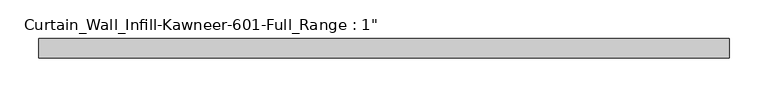
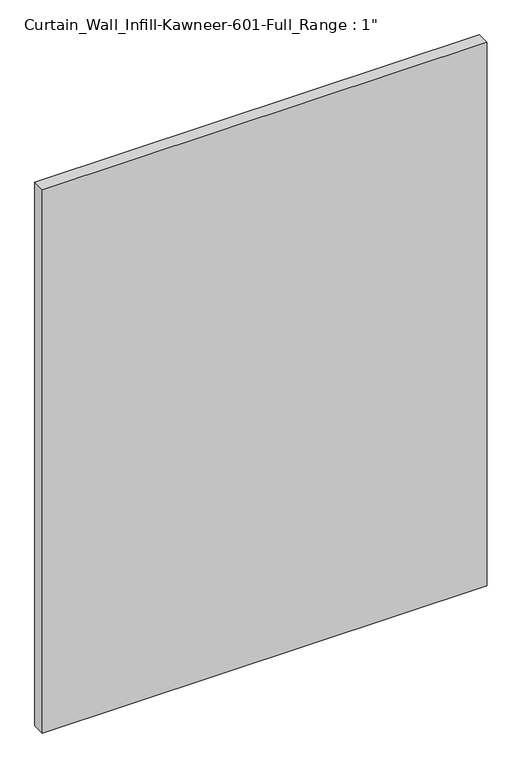
"""IFC4 building model written with IfcOpenShell, lengths in millimetres: plate geometry."""

import ifcopenshell
import ifcopenshell.guid

model = None  # the IFC model being written
_history = None  # IfcOwnerHistory: only IFC2X3 demands one
_inside = {}  # id of a spatial element -> (the spatial element, [elements in it])
_under = {}  # id of a project, library or spatial element -> (it, [spatial elements below it])
_declared = {}  # id of a project -> (the project, [libraries it declares])
_typed = {}  # id of a type object -> (the type object, [elements of that type])
_made_of = {}  # id of a material, layer set ... -> (it, [elements and type objects made of it])


def new_model(schema):
    """Start an empty IFC model of exactly this schema.

    Asked for "IFC4X3", IfcOpenShell would pick the latest addendum, in which some entities
    have other attributes; the version numbers below select the first issue.
    IFC2X3 requires an IfcOwnerHistory on every rooted entity: one is made here for all.
    """
    global model, _history
    if schema == "IFC4X3":
        model = ifcopenshell.file(schema_version=(4, 3, 0, 0))
    else:
        model = ifcopenshell.file(schema=schema)
    _inside.clear()
    _under.clear()
    _declared.clear()
    _typed.clear()
    _made_of.clear()
    _history = None
    if model.schema == "IFC2X3":
        org = make("IfcOrganization", Name="unknown")
        user = make(
            "IfcPersonAndOrganization",
            ThePerson=make("IfcPerson", FamilyName="unknown"),
            TheOrganization=org,
        )
        app = make(
            "IfcApplication",
            ApplicationDeveloper=org,
            Version="unknown",
            ApplicationFullName="unknown",
            ApplicationIdentifier="unknown",
        )
        _history = make(
            "IfcOwnerHistory",
            OwningUser=user,
            OwningApplication=app,
            ChangeAction="ADDED",
            CreationDate=0,
        )
    return model


def make(cls, **values):
    """One entity of the class cls with the attributes given. An attribute that is None is left unset."""
    return model.create_entity(
        cls, **{name: value for name, value in values.items() if value is not None}
    )


def rooted(cls, **values):
    """An entity with a GlobalId (a new one), such as an element, a storey or a relation."""
    return make(cls, GlobalId=ifcopenshell.guid.new(), OwnerHistory=_history, **values)


def si_unit(unit_type, name, prefix=None):
    """IfcSIUnit, for example si_unit("LENGTHUNIT", "METRE", prefix="MILLI")."""
    return make("IfcSIUnit", UnitType=unit_type, Prefix=prefix, Name=name)


def assignment(units):
    """IfcUnitAssignment: the units of a project."""
    return None if units is None else make("IfcUnitAssignment", Units=units)


def point(xyz):
    """IfcCartesianPoint."""
    return None if xyz is None else make("IfcCartesianPoint", Coordinates=xyz)


def direction(xyz):
    """IfcDirection."""
    return None if xyz is None else make("IfcDirection", DirectionRatios=xyz)


def frame(location, z_axis=None, x_axis=None):
    """IfcAxis2Placement3D, a coordinate frame: its origin and axes. An axis left out is left unset."""
    return make(
        "IfcAxis2Placement3D",
        Location=point(location),
        Axis=direction(z_axis),
        RefDirection=direction(x_axis),
    )


def origin():
    """The frame at (0, 0, 0) with its axes left unset."""
    return frame((0.0, 0.0, 0.0))


def origin_with_axes():
    """The frame at (0, 0, 0) with the z axis (0, 0, 1) and the x axis (1, 0, 0) written out."""
    return frame((0.0, 0.0, 0.0), z_axis=(0.0, 0.0, 1.0), x_axis=(1.0, 0.0, 0.0))


def place(relative_to, where):
    """IfcLocalPlacement: puts the frame where relative to a parent placement (None: the world)."""
    return make(
        "IfcLocalPlacement", PlacementRelTo=relative_to, RelativePlacement=where
    )


def context(
    kind, dimensions, precision=None, world=None, true_north=None, identifier=None
):
    """IfcGeometricRepresentationContext, for example the 3D "Model" context."""
    return make(
        "IfcGeometricRepresentationContext",
        ContextIdentifier=identifier,
        ContextType=kind,
        CoordinateSpaceDimension=dimensions,
        Precision=precision,
        WorldCoordinateSystem=world,
        TrueNorth=true_north,
    )


def project(units=None, contexts=None):
    """IfcProject with its units and contexts."""
    return rooted(
        "IfcProject",
        Name="project",
        RepresentationContexts=contexts,
        UnitsInContext=assignment(units),
    )


def spatial(cls, under=None, at=None, **own):
    """A site, building, storey or space (cls), placed at a placement, below another one or the project."""
    s = rooted(cls, ObjectPlacement=at, **own)
    if under is not None:
        _under.setdefault(under.id(), (under, []))[1].append(s)
    return s


def polyline(points):
    """IfcPolyline through the points."""
    return make("IfcPolyline", Points=[point(p) for p in points])


def outline(outer, holes=None, kind="AREA"):
    """IfcArbitraryClosedProfileDef: a profile drawn as a closed curve; with holes, ...WithVoids."""
    if holes is None:
        return make("IfcArbitraryClosedProfileDef", ProfileType=kind, OuterCurve=outer)
    return make(
        "IfcArbitraryProfileDefWithVoids",
        ProfileType=kind,
        OuterCurve=outer,
        InnerCurves=holes,
    )


def extrude(swept, where, along, depth):
    """IfcExtrudedAreaSolid: the profile swept, set in the frame where, extruded along a direction by depth."""
    return make(
        "IfcExtrudedAreaSolid",
        SweptArea=swept,
        Position=where,
        ExtrudedDirection=direction(along),
        Depth=depth,
    )


def shape(context_of_items, identifier, shape_type, items):
    """IfcShapeRepresentation: the items that make up one representation, for example the "Body"."""
    return make(
        "IfcShapeRepresentation",
        ContextOfItems=context_of_items,
        RepresentationIdentifier=identifier,
        RepresentationType=shape_type,
        Items=items,
    )


def source(mapping_origin, context_of_items, identifier, shape_type, items):
    """IfcRepresentationMap: a shape defined once, which mapped items show again and again."""
    return make(
        "IfcRepresentationMap",
        MappingOrigin=mapping_origin,
        MappedRepresentation=shape(context_of_items, identifier, shape_type, items),
    )


def transform(
    local_origin,
    x_axis=None,
    y_axis=None,
    z_axis=None,
    scale=None,
    scale2=None,
    scale3=None,
    uniform=True,
):
    """IfcCartesianTransformationOperator3D, or its non-uniform kind. x_axis, y_axis, z_axis: its Axis1, 2, 3."""
    if uniform:
        return make(
            "IfcCartesianTransformationOperator3D",
            Axis1=direction(x_axis),
            Axis2=direction(y_axis),
            LocalOrigin=point(local_origin),
            Scale=scale,
            Axis3=direction(z_axis),
        )
    return make(
        "IfcCartesianTransformationOperator3DnonUniform",
        Axis1=direction(x_axis),
        Axis2=direction(y_axis),
        LocalOrigin=point(local_origin),
        Scale=scale,
        Axis3=direction(z_axis),
        Scale2=scale2,
        Scale3=scale3,
    )


def mapped(mapping_source, mapping_target):
    """IfcMappedItem: shows the shape of a source again, moved by a transform."""
    return make(
        "IfcMappedItem", MappingSource=mapping_source, MappingTarget=mapping_target
    )


def made_of(thing, what):
    """Note that an element or type object is made of a material, layer set ...; save() writes the relation."""
    if what is not None:
        _made_of.setdefault(what.id(), (what, []))[1].append(thing)
    return thing


def element(
    cls,
    number,
    at=None,
    inside=None,
    cuts=None,
    type_object=None,
    material=None,
    context=None,
    identifier="Body",
    shape_type=None,
    held_by="IfcProductDefinitionShape",
    body=None,
    shapes=None,
    **own,
):
    """One element of the class cls, such as IfcWall. Its Tag is "e" and its number.

    at: its placement. inside: the storey or other place that contains it. cuts: it is an
    opening in that element (IfcRelVoidsElement). A single representation is given by context,
    identifier, shape_type and body (its items); several are given by shapes. held_by: the class
    of the entity that holds the representations. save() writes the other relations.
    """
    e = rooted(cls, Tag="e%d" % number, ObjectPlacement=at, **own)
    if body is not None:
        shapes = [shape(context, identifier, shape_type, body)]
    if shapes is not None:
        e.Representation = make(held_by, Representations=shapes)
    if inside is not None:
        _inside.setdefault(inside.id(), (inside, []))[1].append(e)
    if cuts is not None:
        rooted(
            "IfcRelVoidsElement", RelatingBuildingElement=cuts, RelatedOpeningElement=e
        )
    if type_object is not None:
        _typed.setdefault(type_object.id(), (type_object, []))[1].append(e)
    return made_of(e, material)


def aggregate(whole, parts):
    """IfcRelAggregates: a whole, such as a stair, and the parts it consists of."""
    return rooted("IfcRelAggregates", RelatingObject=whole, RelatedObjects=parts)


def save(model, path):
    """Write the relations noted so far, then the file.

    IfcRelAggregates (storeys below a building ...), IfcRelContainedInSpatialStructure (elements
    in a storey), IfcRelDefinesByType, IfcRelAssociatesMaterial and IfcRelDeclares: one each for
    every whole, place, type object, material and project.
    """
    for whole, parts in _under.values():
        aggregate(whole, parts)
    for where, things in _inside.values():
        rooted(
            "IfcRelContainedInSpatialStructure",
            RelatedElements=things,
            RelatingStructure=where,
        )
    for kind, things in _typed.values():
        rooted("IfcRelDefinesByType", RelatedObjects=things, RelatingType=kind)
    for what, things in _made_of.values():
        rooted("IfcRelAssociatesMaterial", RelatedObjects=things, RelatingMaterial=what)
    for by, libraries in _declared.values():
        rooted("IfcRelDeclares", RelatingContext=by, RelatedDefinitions=libraries)
    model.write(path)


def plate_4f44a0b6(model_context):
    return source(origin(), model_context, "Body", "SweptSolid", [
        extrude(outline(polyline([(-444.9757381, -12.7), (-444.9757381, 12.7), (444.9757381, 12.7), (444.9757381, -12.7), (-444.9757381, -12.7)])), origin_with_axes(), (0.0, 0.0, 1.0), 1149.35),
    ])


if __name__ == "__main__":
    model = new_model("IFC4")
    model_context = context("Model", 3, world=origin())
    ifc_project = project(units=[si_unit("LENGTHUNIT", "METRE", prefix="MILLI")], contexts=[model_context])
    site = spatial("IfcSite", under=ifc_project)
    building = spatial("IfcBuilding", under=site)
    placement = place(None, origin())
    plate_shape = plate_4f44a0b6(model_context)
    element("IfcPlate", 1, ObjectType="Curtain_Wall_Infill-Kawneer-601-Full_Range : 1\"", at=placement, inside=building, context=model_context, shape_type="MappedRepresentation", body=[
        mapped(plate_shape, transform((0.0, 0.0, 0.0), x_axis=(1.0, 0.0, 0.0), y_axis=(0.0, 1.0, 0.0), z_axis=(0.0, 0.0, 1.0))),
    ])
    save(model, "model.ifc")
